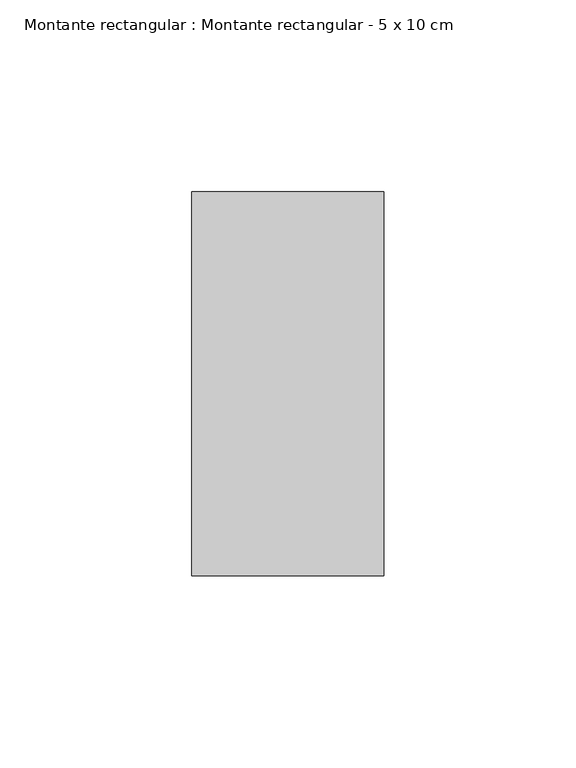
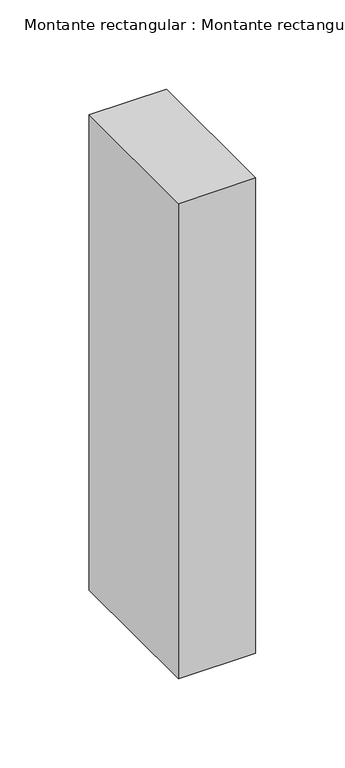
"""IFC4 building model written with IfcOpenShell, lengths in millimetres: member geometry, Montante rectangular : Montante rectangular - 5 x 10 cm."""

from ifc_helpers import new_model, si_unit, frame, origin, place, context, project, spatial, polyline, outline, extrude, source, transform, mapped, element, save


def montante_rectangular_montante_rectangular_5_x_10_cm_21b9abf6(model_context):
    return source(origin(), model_context, "Body", "SweptSolid", [
        extrude(outline(polyline([(25.0, 50.0), (25.0, -50.0), (-25.0, -50.0), (-25.0, 50.0), (25.0, 50.0)])), frame((0.0, 0.0, -325.0), z_axis=(0.0, 0.0, 1.0), x_axis=(1.0, 0.0, 0.0)), (0.0, 0.0, 1.0), 325.0),
    ])


if __name__ == "__main__":
    model = new_model("IFC4")
    model_context = context("Model", 3, world=origin())
    ifc_project = project(units=[si_unit("LENGTHUNIT", "METRE", prefix="MILLI")], contexts=[model_context])
    site = spatial("IfcSite", under=ifc_project)
    building = spatial("IfcBuilding", under=site)
    placement = place(None, origin())
    montante_rectangular_montante_rectangular_5_x_10_cm_shape = montante_rectangular_montante_rectangular_5_x_10_cm_21b9abf6(model_context)
    element("IfcMember", 1, ObjectType="Montante rectangular : Montante rectangular - 5 x 10 cm", at=placement, inside=building, context=model_context, shape_type="MappedRepresentation", body=[
        mapped(montante_rectangular_montante_rectangular_5_x_10_cm_shape, transform((0.0, 0.0, 0.0), x_axis=(1.0, 0.0, 0.0), y_axis=(0.0, 1.0, 0.0), z_axis=(0.0, 0.0, 1.0))),
    ])
    save(model, "model.ifc")
